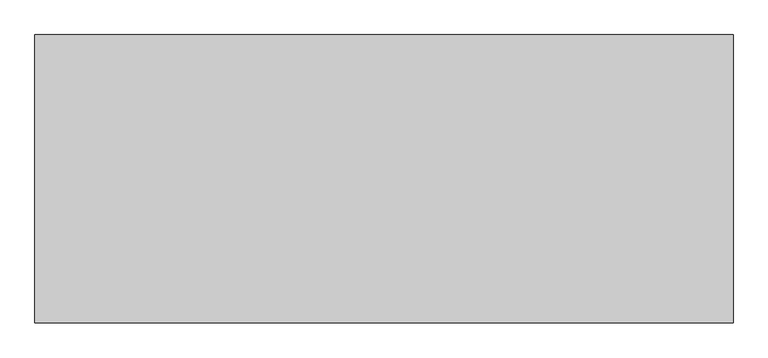
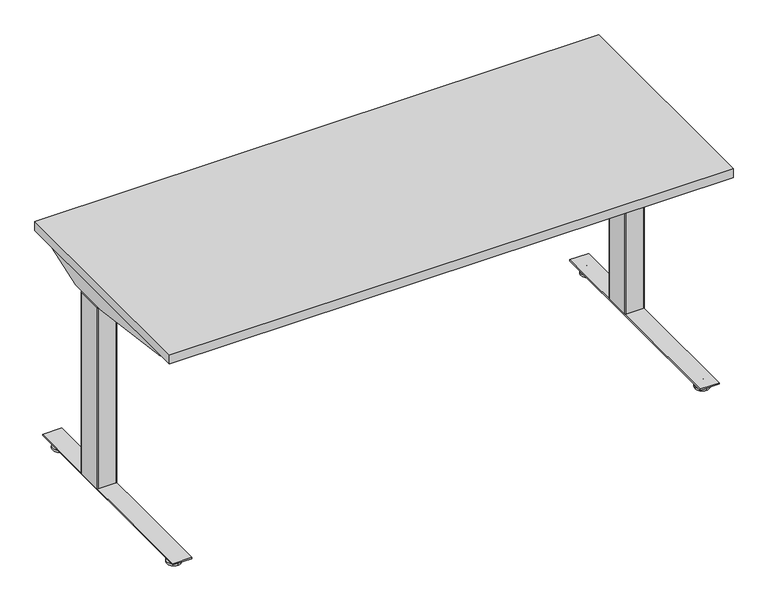
"""IFC4 building model written with IfcOpenShell, lengths in millimetres: furniture geometry."""

import ifcopenshell
import ifcopenshell.guid

model = None  # the IFC model being written
_history = None  # IfcOwnerHistory: only IFC2X3 demands one
_inside = {}  # id of a spatial element -> (the spatial element, [elements in it])
_under = {}  # id of a project, library or spatial element -> (it, [spatial elements below it])
_declared = {}  # id of a project -> (the project, [libraries it declares])
_typed = {}  # id of a type object -> (the type object, [elements of that type])
_made_of = {}  # id of a material, layer set ... -> (it, [elements and type objects made of it])


def new_model(schema):
    """Start an empty IFC model of exactly this schema.

    Asked for "IFC4X3", IfcOpenShell would pick the latest addendum, in which some entities
    have other attributes; the version numbers below select the first issue.
    IFC2X3 requires an IfcOwnerHistory on every rooted entity: one is made here for all.
    """
    global model, _history
    if schema == "IFC4X3":
        model = ifcopenshell.file(schema_version=(4, 3, 0, 0))
    else:
        model = ifcopenshell.file(schema=schema)
    _inside.clear()
    _under.clear()
    _declared.clear()
    _typed.clear()
    _made_of.clear()
    _history = None
    if model.schema == "IFC2X3":
        org = make("IfcOrganization", Name="unknown")
        user = make(
            "IfcPersonAndOrganization",
            ThePerson=make("IfcPerson", FamilyName="unknown"),
            TheOrganization=org,
        )
        app = make(
            "IfcApplication",
            ApplicationDeveloper=org,
            Version="unknown",
            ApplicationFullName="unknown",
            ApplicationIdentifier="unknown",
        )
        _history = make(
            "IfcOwnerHistory",
            OwningUser=user,
            OwningApplication=app,
            ChangeAction="ADDED",
            CreationDate=0,
        )
    return model


def make(cls, **values):
    """One entity of the class cls with the attributes given. An attribute that is None is left unset."""
    return model.create_entity(
        cls, **{name: value for name, value in values.items() if value is not None}
    )


def rooted(cls, **values):
    """An entity with a GlobalId (a new one), such as an element, a storey or a relation."""
    return make(cls, GlobalId=ifcopenshell.guid.new(), OwnerHistory=_history, **values)


def si_unit(unit_type, name, prefix=None):
    """IfcSIUnit, for example si_unit("LENGTHUNIT", "METRE", prefix="MILLI")."""
    return make("IfcSIUnit", UnitType=unit_type, Prefix=prefix, Name=name)


def assignment(units):
    """IfcUnitAssignment: the units of a project."""
    return None if units is None else make("IfcUnitAssignment", Units=units)


def point(xyz):
    """IfcCartesianPoint."""
    return None if xyz is None else make("IfcCartesianPoint", Coordinates=xyz)


def direction(xyz):
    """IfcDirection."""
    return None if xyz is None else make("IfcDirection", DirectionRatios=xyz)


def frame(location, z_axis=None, x_axis=None):
    """IfcAxis2Placement3D, a coordinate frame: its origin and axes. An axis left out is left unset."""
    return make(
        "IfcAxis2Placement3D",
        Location=point(location),
        Axis=direction(z_axis),
        RefDirection=direction(x_axis),
    )


def frame_2d(location, x_axis=None):
    """IfcAxis2Placement2D, a coordinate frame in the plane: its origin and x axis."""
    return make(
        "IfcAxis2Placement2D", Location=point(location), RefDirection=direction(x_axis)
    )


def origin():
    """The frame at (0, 0, 0) with its axes left unset."""
    return frame((0.0, 0.0, 0.0))


def place(relative_to, where):
    """IfcLocalPlacement: puts the frame where relative to a parent placement (None: the world)."""
    return make(
        "IfcLocalPlacement", PlacementRelTo=relative_to, RelativePlacement=where
    )


def context(
    kind, dimensions, precision=None, world=None, true_north=None, identifier=None
):
    """IfcGeometricRepresentationContext, for example the 3D "Model" context."""
    return make(
        "IfcGeometricRepresentationContext",
        ContextIdentifier=identifier,
        ContextType=kind,
        CoordinateSpaceDimension=dimensions,
        Precision=precision,
        WorldCoordinateSystem=world,
        TrueNorth=true_north,
    )


def project(units=None, contexts=None):
    """IfcProject with its units and contexts."""
    return rooted(
        "IfcProject",
        Name="project",
        RepresentationContexts=contexts,
        UnitsInContext=assignment(units),
    )


def spatial(cls, under=None, at=None, **own):
    """A site, building, storey or space (cls), placed at a placement, below another one or the project."""
    s = rooted(cls, ObjectPlacement=at, **own)
    if under is not None:
        _under.setdefault(under.id(), (under, []))[1].append(s)
    return s


def polyline(points):
    """IfcPolyline through the points."""
    return make("IfcPolyline", Points=[point(p) for p in points])


def circle_curve(where, radius):
    """IfcCircle in the frame where."""
    return make("IfcCircle", Position=where, Radius=radius)


def trimmed(basis, trim1, trim2, sense, master):
    """IfcTrimmedCurve: the piece of a basis curve between two trims."""
    return make(
        "IfcTrimmedCurve",
        BasisCurve=basis,
        Trim1=trim1,
        Trim2=trim2,
        SenseAgreement=sense,
        MasterRepresentation=master,
    )


def segment(curve, same_sense, transition):
    """IfcCompositeCurveSegment."""
    return make(
        "IfcCompositeCurveSegment",
        Transition=transition,
        SameSense=same_sense,
        ParentCurve=curve,
    )


def composite_curve(segments, self_intersect=None):
    """IfcCompositeCurve: segments joined end to end."""
    return make("IfcCompositeCurve", Segments=segments, SelfIntersect=self_intersect)


def outline(outer, holes=None, kind="AREA"):
    """IfcArbitraryClosedProfileDef: a profile drawn as a closed curve; with holes, ...WithVoids."""
    if holes is None:
        return make("IfcArbitraryClosedProfileDef", ProfileType=kind, OuterCurve=outer)
    return make(
        "IfcArbitraryProfileDefWithVoids",
        ProfileType=kind,
        OuterCurve=outer,
        InnerCurves=holes,
    )


def extrude(swept, where, along, depth):
    """IfcExtrudedAreaSolid: the profile swept, set in the frame where, extruded along a direction by depth."""
    return make(
        "IfcExtrudedAreaSolid",
        SweptArea=swept,
        Position=where,
        ExtrudedDirection=direction(along),
        Depth=depth,
    )


def shape(context_of_items, identifier, shape_type, items):
    """IfcShapeRepresentation: the items that make up one representation, for example the "Body"."""
    return make(
        "IfcShapeRepresentation",
        ContextOfItems=context_of_items,
        RepresentationIdentifier=identifier,
        RepresentationType=shape_type,
        Items=items,
    )


def source(mapping_origin, context_of_items, identifier, shape_type, items):
    """IfcRepresentationMap: a shape defined once, which mapped items show again and again."""
    return make(
        "IfcRepresentationMap",
        MappingOrigin=mapping_origin,
        MappedRepresentation=shape(context_of_items, identifier, shape_type, items),
    )


def transform(
    local_origin,
    x_axis=None,
    y_axis=None,
    z_axis=None,
    scale=None,
    scale2=None,
    scale3=None,
    uniform=True,
):
    """IfcCartesianTransformationOperator3D, or its non-uniform kind. x_axis, y_axis, z_axis: its Axis1, 2, 3."""
    if uniform:
        return make(
            "IfcCartesianTransformationOperator3D",
            Axis1=direction(x_axis),
            Axis2=direction(y_axis),
            LocalOrigin=point(local_origin),
            Scale=scale,
            Axis3=direction(z_axis),
        )
    return make(
        "IfcCartesianTransformationOperator3DnonUniform",
        Axis1=direction(x_axis),
        Axis2=direction(y_axis),
        LocalOrigin=point(local_origin),
        Scale=scale,
        Axis3=direction(z_axis),
        Scale2=scale2,
        Scale3=scale3,
    )


def mapped(mapping_source, mapping_target):
    """IfcMappedItem: shows the shape of a source again, moved by a transform."""
    return make(
        "IfcMappedItem", MappingSource=mapping_source, MappingTarget=mapping_target
    )


def made_of(thing, what):
    """Note that an element or type object is made of a material, layer set ...; save() writes the relation."""
    if what is not None:
        _made_of.setdefault(what.id(), (what, []))[1].append(thing)
    return thing


def element(
    cls,
    number,
    at=None,
    inside=None,
    cuts=None,
    type_object=None,
    material=None,
    context=None,
    identifier="Body",
    shape_type=None,
    held_by="IfcProductDefinitionShape",
    body=None,
    shapes=None,
    **own,
):
    """One element of the class cls, such as IfcWall. Its Tag is "e" and its number.

    at: its placement. inside: the storey or other place that contains it. cuts: it is an
    opening in that element (IfcRelVoidsElement). A single representation is given by context,
    identifier, shape_type and body (its items); several are given by shapes. held_by: the class
    of the entity that holds the representations. save() writes the other relations.
    """
    e = rooted(cls, Tag="e%d" % number, ObjectPlacement=at, **own)
    if body is not None:
        shapes = [shape(context, identifier, shape_type, body)]
    if shapes is not None:
        e.Representation = make(held_by, Representations=shapes)
    if inside is not None:
        _inside.setdefault(inside.id(), (inside, []))[1].append(e)
    if cuts is not None:
        rooted(
            "IfcRelVoidsElement", RelatingBuildingElement=cuts, RelatedOpeningElement=e
        )
    if type_object is not None:
        _typed.setdefault(type_object.id(), (type_object, []))[1].append(e)
    return made_of(e, material)


def aggregate(whole, parts):
    """IfcRelAggregates: a whole, such as a stair, and the parts it consists of."""
    return rooted("IfcRelAggregates", RelatingObject=whole, RelatedObjects=parts)


def save(model, path):
    """Write the relations noted so far, then the file.

    IfcRelAggregates (storeys below a building ...), IfcRelContainedInSpatialStructure (elements
    in a storey), IfcRelDefinesByType, IfcRelAssociatesMaterial and IfcRelDeclares: one each for
    every whole, place, type object, material and project.
    """
    for whole, parts in _under.values():
        aggregate(whole, parts)
    for where, things in _inside.values():
        rooted(
            "IfcRelContainedInSpatialStructure",
            RelatedElements=things,
            RelatingStructure=where,
        )
    for kind, things in _typed.values():
        rooted("IfcRelDefinesByType", RelatedObjects=things, RelatingType=kind)
    for what, things in _made_of.values():
        rooted("IfcRelAssociatesMaterial", RelatedObjects=things, RelatingMaterial=what)
    for by, libraries in _declared.values():
        rooted("IfcRelDeclares", RelatingContext=by, RelatedDefinitions=libraries)
    model.write(path)


def plane_surface(at):
    """IfcPlane: the flat surface through the origin of the frame at, square to its z axis."""
    return make("IfcPlane", Position=at)


def cylinder_surface(at, radius):
    """IfcCylindricalSurface: all points at the distance radius from the z axis of the frame at."""
    return make("IfcCylindricalSurface", Position=at, Radius=radius)


def revolved_surface(curve, axis_point, axis_direction):
    """IfcSurfaceOfRevolution: the curve turned about the line through axis_point along axis_direction."""
    return make(
        "IfcSurfaceOfRevolution",
        SweptCurve=make("IfcArbitraryOpenProfileDef", ProfileType="CURVE", Curve=curve),
        AxisPosition=make("IfcAxis1Placement", Location=point(axis_point), Axis=direction(axis_direction)),
    )


def advanced_brep(points, edges, surfaces, faces):
    """IfcAdvancedBrep: a solid bounded by faces that lie on surfaces and meet in shared edges.

    An edge is (start, end): straight between two places in points (the first is 0);
    or (start, end, curve); or (start, end, curve, False) where it runs against its curve.
    A face is (place in surfaces, loops), or (place, loops, False) where it looks against
    its surface's normal. A loop lists edges by number (the first is 1), with a minus sign
    where the edge is run from its end to its start. The first loop is the outer one.
    """
    corners = [point(p) for p in points]
    vertices = [make("IfcVertexPoint", VertexGeometry=c) for c in corners]
    made = []
    for start, end, *more in edges:
        made.append(
            make(
                "IfcEdgeCurve",
                EdgeStart=vertices[start],
                EdgeEnd=vertices[end],
                EdgeGeometry=more[0] if more else make("IfcPolyline", Points=[corners[start], corners[end]]),
                SameSense=more[1] if len(more) > 1 else True,
            )
        )
    hull = []
    for where, loops, *sense in faces:
        bounds = []
        for j, loop in enumerate(loops):
            ring = [make("IfcOrientedEdge", EdgeElement=made[abs(k) - 1], Orientation=k > 0) for k in loop]
            bounds.append(
                make(
                    "IfcFaceOuterBound" if j == 0 else "IfcFaceBound",
                    Bound=make("IfcEdgeLoop", EdgeList=ring),
                    Orientation=True,
                )
            )
        hull.append(make("IfcAdvancedFace", Bounds=bounds, FaceSurface=surfaces[where], SameSense=sense[0] if sense else True))
    return make("IfcAdvancedBrep", Outer=make("IfcClosedShell", CfsFaces=hull))


def furniture_e26f0861(model_context):
    return source(origin(), model_context, "Body", "SolidModel", [
        extrude(outline(composite_curve([segment(polyline([(24.0299808, 91.9126008), (24.0299808, 89.2526023), (15.0465732, 89.2526023)]), True, "CONTINUOUS"), segment(trimmed(circle_curve(frame_2d((15.0465732, 88.1760101)), 1.0765922), [point((15.0465732, 89.2526023))], [point((13.969981, 88.1760101))], True, "CARTESIAN"), True, "CONTINUOUS"), segment(polyline([(13.969981, 88.1760101), (13.969981, 57.733733)]), True, "CONTINUOUS"), segment(trimmed(circle_curve(frame_2d((14.981112, 57.733733)), 1.011131), [point((13.969981, 57.733733))], [point((14.981112, 56.7226021))], True, "CARTESIAN"), True, "CONTINUOUS"), segment(polyline([(14.981112, 56.7226021), (24.0299808, 56.7226021), (24.0299808, 54.0625991), (14.9699813, 54.0625991), (13.1399808, 54.5529489), (11.8003278, 55.8926019), (11.3099815, 57.7226046), (11.3099815, 88.2526043), (11.8003278, 90.0826025), (13.1399808, 91.4222555), (14.9699813, 91.9126008), (24.0299808, 91.9126008)]), True, "CONTINUOUS")], self_intersect=False)), frame((0.0, -646.1468746, 0.0), z_axis=(0.0, 1.0, 0.0), x_axis=(0.0, 0.0, 1.0)), (0.0, 0.0, 1.0), 507.9999924),
        advanced_brep(
        [(71.6136021, -726.0252467, 9.1e-06), (71.6136021, -703.4479001, 9.1e-06), (71.6136021, -680.8705535, 9.1e-06), (71.6136021, -726.0109304, 5.8932313), (71.6136021, -680.8848697, 5.8932313), (71.6136021, -706.9684154, 9.6997702), (71.6136021, -699.9273847, 9.6997702), (71.6136021, -706.9684154, 23.9856018), (71.6136021, -699.9273847, 23.9856018), (71.6136021, -703.4479001, 23.9856018)],
        [
            (0, 1),
            (1, 2),
            (2, 0, circle_curve(frame((71.6136021, -703.4479001, 9.1e-06), z_axis=(0.0, 0.0, -1.0), x_axis=(0.0, 1.0, 0.0)), 22.5773466)),
            (0, 2, circle_curve(frame((71.6136021, -703.4479001, 9.1e-06), z_axis=(0.0, 0.0, -1.0), x_axis=(0.0, 1.0, 0.0)), 22.5773466)),
            (3, 0),
            (2, 4),
            (4, 3, circle_curve(frame((71.6136021, -703.4479001, 5.8932313), z_axis=(0.0, 0.0, -1.0), x_axis=(0.0, 1.0, 0.0)), 22.5630303)),
            (3, 4, circle_curve(frame((71.6136021, -703.4479001, 5.8932313), z_axis=(0.0, 0.0, -1.0), x_axis=(0.0, 1.0, 0.0)), 22.5630303)),
            (5, 3),
            (4, 6),
            (6, 5, circle_curve(frame((71.6136021, -703.4479001, 9.6997702), z_axis=(0.0, 0.0, -1.0), x_axis=(0.0, 1.0, 0.0)), 3.5205153)),
            (5, 6, circle_curve(frame((71.6136021, -703.4479001, 9.6997702), z_axis=(0.0, 0.0, -1.0), x_axis=(0.0, 1.0, 0.0)), 3.5205153)),
            (7, 5),
            (6, 8),
            (8, 7, circle_curve(frame((71.6136021, -703.4479001, 23.9856018), z_axis=(0.0, 0.0, -1.0), x_axis=(0.0, 1.0, 0.0)), 3.5205153)),
            (7, 8, circle_curve(frame((71.6136021, -703.4479001, 23.9856018), z_axis=(0.0, 0.0, -1.0), x_axis=(0.0, 1.0, 0.0)), 3.5205153)),
            (9, 7),
            (8, 9),
        ],
        [
            plane_surface(frame((71.6136021, -703.4479001, 9.1e-06), z_axis=(0.0, 0.0, -1.0), x_axis=(0.0, 1.0, 0.0))),
            revolved_surface(polyline([(71.6136021, -680.8705535, 9.1e-06), (71.6136021, -680.8848697, 5.8932313)]), (71.6136021, -703.4479001, -6.3499909), (0.0, 0.0, 1.0)),
            revolved_surface(polyline([(71.6136021, -680.8848697, 5.8932313), (71.6136021, -699.9273847, 9.6997702)]), (71.6136021, -703.4479001, -6.3499909), (0.0, 0.0, 1.0)),
            cylinder_surface(frame((71.6136021, -703.4479001, -6.3499909), z_axis=(0.0, 0.0, 1.0), x_axis=(0.0, 1.0, 0.0)), 3.5205153),
            plane_surface(frame((71.6136021, -703.4479001, 23.9856018), z_axis=(0.0, 0.0, 1.0), x_axis=(0.0, 1.0, 0.0))),
        ],
        [
            (0, [[1, 2, 3]]),
            (0, [[-2, -1, 4]]),
            (1, [[5, -3, 6, 7]]),
            (1, [[-6, -4, -5, 8]]),
            (2, [[9, -7, 10, 11]]),
            (2, [[-10, -8, -9, 12]]),
            (3, [[13, -11, 14, 15]]),
            (3, [[-14, -12, -13, 16]]),
            (4, [[17, -15, 18]]),
            (4, [[-18, -16, -17]]),
        ],
    ),
        advanced_brep(
        [(71.6136021, -80.677371, 23.9447896), (71.6136021, -84.2813634, 23.9447896), (71.6136021, -77.0733786, 23.9447896), (71.6136021, -103.3167838, 9.1e-06), (71.6136021, -80.677371, 9.1e-06), (71.6136021, -58.0379582, 9.1e-06), (71.6136021, -103.3024934, 5.8932313), (71.6136021, -58.0522486, 5.8932313), (71.6136021, -84.2599821, 9.6997702), (71.6136021, -77.0947599, 9.6997702)],
        [
            (0, 1),
            (1, 2, circle_curve(frame((71.6136021, -80.677371, 23.9447896), z_axis=(0.0, 0.0, 1.0), x_axis=(0.0, 1.0, 0.0)), 3.6039924)),
            (2, 0),
            (2, 1, circle_curve(frame((71.6136021, -80.677371, 23.9447896), z_axis=(0.0, 0.0, 1.0), x_axis=(0.0, 1.0, 0.0)), 3.6039924)),
            (3, 4),
            (4, 5),
            (5, 3, circle_curve(frame((71.6136021, -80.677371, 9.1e-06), z_axis=(0.0, 0.0, -1.0), x_axis=(0.0, 1.0, 0.0)), 22.6394128)),
            (3, 5, circle_curve(frame((71.6136021, -80.677371, 9.1e-06), z_axis=(0.0, 0.0, -1.0), x_axis=(0.0, 1.0, 0.0)), 22.6394128)),
            (6, 3),
            (5, 7),
            (7, 6, circle_curve(frame((71.6136021, -80.677371, 5.8932313), z_axis=(0.0, 0.0, -1.0), x_axis=(0.0, 1.0, 0.0)), 22.6251224)),
            (6, 7, circle_curve(frame((71.6136021, -80.677371, 5.8932313), z_axis=(0.0, 0.0, -1.0), x_axis=(0.0, 1.0, 0.0)), 22.6251224)),
            (8, 6),
            (7, 9),
            (9, 8, circle_curve(frame((71.6136021, -80.677371, 9.6997702), z_axis=(0.0, 0.0, -1.0), x_axis=(0.0, 1.0, 0.0)), 3.5826111)),
            (8, 9, circle_curve(frame((71.6136021, -80.677371, 9.6997702), z_axis=(0.0, 0.0, -1.0), x_axis=(0.0, 1.0, 0.0)), 3.5826111)),
            (1, 8),
            (9, 2),
        ],
        [
            plane_surface(frame((71.6136021, -80.677371, 23.9447896), z_axis=(0.0, 0.0, 1.0), x_axis=(0.0, 1.0, 0.0))),
            plane_surface(frame((71.6136021, -80.677371, 9.1e-06), z_axis=(0.0, 0.0, -1.0), x_axis=(0.0, 1.0, 0.0))),
            revolved_surface(polyline([(71.6136021, -58.0379582, 9.1e-06), (71.6136021, -58.0522486, 5.8932313)]), (71.6136021, -80.677371, -4.2199069), (0.0, 0.0, 1.0)),
            revolved_surface(polyline([(71.6136021, -58.0522486, 5.8932313), (71.6136021, -77.0947599, 9.6997702)]), (71.6136021, -80.677371, -4.2199069), (0.0, 0.0, 1.0)),
            cylinder_surface(frame((71.6136021, -80.677371, -4.2199069), z_axis=(0.0, 0.0, 1.0), x_axis=(0.0, 1.0, 0.0)), 3.5617141),
        ],
        [
            (0, [[1, 2, 3]]),
            (0, [[-3, 4, -1]]),
            (1, [[5, 6, 7]]),
            (1, [[-6, -5, 8]]),
            (2, [[9, -7, 10, 11]]),
            (2, [[-10, -8, -9, 12]]),
            (3, [[13, -11, 14, 15]]),
            (3, [[-14, -12, -13, 16]]),
            (4, [[17, -15, 18, -2]]),
            (4, [[-18, -16, -17, -4]]),
        ],
    ),
        extrude(outline(polyline([(42.9876029, -36.5468837), (102.9576025, -36.5468837), (102.9576025, -747.7468867), (42.9876029, -747.7468867), (42.9876029, -36.5468837)])), frame((0.0, 0.0, 24.0299808), z_axis=(0.0, 0.0, 1.0), x_axis=(1.0, 0.0, 0.0)), (0.0, 0.0, 1.0), 4.1800001),
        extrude(outline(composite_curve([segment(polyline([(98.1047994, -253.1740482), (98.1047994, -335.6776259)]), True, "CONTINUOUS"), segment(trimmed(circle_curve(frame_2d((95.8187994, -335.6776259)), 2.286), [point((98.1047994, -335.6776259))], [point((95.8187994, -337.9636259))], False, "CARTESIAN"), True, "CONTINUOUS"), segment(polyline([(95.8187994, -337.9636259), (47.5023125, -337.9636259)]), True, "CONTINUOUS"), segment(trimmed(circle_curve(frame_2d((47.5023125, -335.6776259)), 2.286), [point((47.5023125, -337.9636259))], [point((45.2163125, -335.6776259))], False, "CARTESIAN"), True, "CONTINUOUS"), segment(polyline([(45.2163125, -335.6776259), (45.2163125, -253.0141955)]), True, "CONTINUOUS"), segment(trimmed(circle_curve(frame_2d((47.5023125, -253.1740482)), 2.2915822), [point((45.2163125, -253.0141955))], [point((47.3424598, -250.8880482))], False, "CARTESIAN"), True, "CONTINUOUS"), segment(polyline([(47.3424598, -250.8880482), (95.8187994, -250.8880482)]), True, "CONTINUOUS"), segment(trimmed(circle_curve(frame_2d((95.8187994, -253.1740482)), 2.286), [point((95.8187994, -250.8880482))], [point((98.1047994, -253.1740482))], False, "CARTESIAN"), True, "CONTINUOUS")], self_intersect=False)), frame((0.0, 0.0, 631.6980091), z_axis=(0.0, 0.0, 1.0), x_axis=(1.0, 0.0, 0.0)), (0.0, 0.0, 1.0), 63.5819446),
        extrude(outline(composite_curve([segment(polyline([(44.6584207, -247.961107), (100.2656021, -247.961107)]), True, "CONTINUOUS"), segment(trimmed(circle_curve(frame_2d((100.2656021, -251.009107)), 3.048), [point((100.2656021, -247.961107))], [point((103.3136021, -251.009107))], False, "CARTESIAN"), True, "CONTINUOUS"), segment(polyline([(103.3136021, -251.009107), (103.3136021, -334.907113)]), True, "CONTINUOUS"), segment(trimmed(circle_curve(frame_2d((100.2656021, -334.907113)), 3.048), [point((103.3136021, -334.907113))], [point((100.2635382, -337.9551123))], False, "CARTESIAN"), True, "CONTINUOUS"), segment(polyline([(100.2635382, -337.9551123), (44.638999, -337.9174476)]), True, "CONTINUOUS"), segment(trimmed(circle_curve(frame_2d((44.6410511, -334.886818)), 3.0306304), [point((44.638999, -337.9174476))], [point((41.6104207, -334.886818))], False, "CARTESIAN"), True, "CONTINUOUS"), segment(polyline([(41.6104207, -334.886818), (41.6104207, -251.009107)]), True, "CONTINUOUS"), segment(trimmed(circle_curve(frame_2d((44.6584207, -251.009107)), 3.048), [point((41.6104207, -251.009107))], [point((44.6584207, -247.961107))], False, "CARTESIAN"), True, "CONTINUOUS")], self_intersect=False)), frame((0.0, 0.0, 28.209981), z_axis=(0.0, 0.0, 1.0), x_axis=(1.0, 0.0, 0.0)), (0.0, 0.0, 1.0), 603.4880281),
        extrude(outline(composite_curve([segment(polyline([(24.0299717, 1714.7357036), (14.9699722, 1714.7357036), (13.1399717, 1715.2260488), (11.8003187, 1716.5657018), (11.3099724, 1718.3957), (11.3099724, 1748.9256997), (11.8003187, 1750.7557024), (13.1399717, 1752.0953554), (14.9699722, 1752.5857052), (24.0299717, 1752.5857052), (24.0299717, 1749.9257022), (14.9811029, 1749.9257022)]), True, "CONTINUOUS"), segment(trimmed(circle_curve(frame_2d((14.9811029, 1748.9145713)), 1.011131), [point((14.9811029, 1749.9257022))], [point((13.9699719, 1748.9145713))], True, "CARTESIAN"), True, "CONTINUOUS"), segment(polyline([(13.9699719, 1748.9145713), (13.9699719, 1718.4722942)]), True, "CONTINUOUS"), segment(trimmed(circle_curve(frame_2d((15.0465641, 1718.4722942)), 1.0765922), [point((13.9699719, 1718.4722942))], [point((15.0465641, 1717.395702))], True, "CARTESIAN"), True, "CONTINUOUS"), segment(polyline([(15.0465641, 1717.395702), (24.0299717, 1717.395702), (24.0299717, 1714.7357036)]), True, "CONTINUOUS")], self_intersect=False)), frame((0.0, -646.1468746, 0.0), z_axis=(0.0, 1.0, 0.0), x_axis=(0.0, 0.0, 1.0)), (0.0, 0.0, 1.0), 507.9999924),
        advanced_brep(
        [(1735.0347023, -726.0252467, 0.0), (1735.0347023, -680.8705535, 0.0), (1735.0347023, -703.4479001, 0.0), (1735.0347023, -726.0109304, 5.8932222), (1735.0347023, -680.8848697, 5.8932222), (1735.0347023, -706.9684154, 9.6997611), (1735.0347023, -699.9273847, 9.6997611), (1735.0347023, -706.9684154, 23.9855927), (1735.0347023, -699.9273847, 23.9855927), (1735.0347023, -703.4479001, 23.9855927)],
        [
            (0, 1, circle_curve(frame((1735.0347023, -703.4479001, 0.0), z_axis=(0.0, 0.0, -1.0), x_axis=(0.0, 1.0, 0.0)), 22.5773466)),
            (1, 2),
            (2, 0),
            (1, 0, circle_curve(frame((1735.0347023, -703.4479001, 0.0), z_axis=(0.0, 0.0, -1.0), x_axis=(0.0, 1.0, 0.0)), 22.5773466)),
            (3, 4, circle_curve(frame((1735.0347023, -703.4479001, 5.8932222), z_axis=(0.0, 0.0, -1.0), x_axis=(0.0, 1.0, 0.0)), 22.5630303)),
            (4, 1),
            (0, 3),
            (4, 3, circle_curve(frame((1735.0347023, -703.4479001, 5.8932222), z_axis=(0.0, 0.0, -1.0), x_axis=(0.0, 1.0, 0.0)), 22.5630303)),
            (5, 6, circle_curve(frame((1735.0347023, -703.4479001, 9.6997611), z_axis=(0.0, 0.0, -1.0), x_axis=(0.0, 1.0, 0.0)), 3.5205153)),
            (6, 4),
            (3, 5),
            (6, 5, circle_curve(frame((1735.0347023, -703.4479001, 9.6997611), z_axis=(0.0, 0.0, -1.0), x_axis=(0.0, 1.0, 0.0)), 3.5205153)),
            (7, 8, circle_curve(frame((1735.0347023, -703.4479001, 23.9855927), z_axis=(0.0, 0.0, -1.0), x_axis=(0.0, 1.0, 0.0)), 3.5205153)),
            (8, 6),
            (5, 7),
            (8, 7, circle_curve(frame((1735.0347023, -703.4479001, 23.9855927), z_axis=(0.0, 0.0, -1.0), x_axis=(0.0, 1.0, 0.0)), 3.5205153)),
            (9, 8),
            (7, 9),
        ],
        [
            plane_surface(frame((1735.0347023, -703.4479001, 0.0), z_axis=(0.0, 0.0, -1.0), x_axis=(0.0, 1.0, 0.0))),
            revolved_surface(polyline([(1735.0347023, -680.8705535, 0.0), (1735.0347023, -680.8848697, 5.8932222)]), (1735.0347023, -703.4479001, -6.35), (0.0, 0.0, 1.0)),
            revolved_surface(polyline([(1735.0347023, -680.8848697, 5.8932222), (1735.0347023, -699.9273847, 9.6997611)]), (1735.0347023, -703.4479001, -6.35), (0.0, 0.0, 1.0)),
            cylinder_surface(frame((1735.0347023, -703.4479001, -6.35), z_axis=(0.0, 0.0, 1.0), x_axis=(0.0, 1.0, 0.0)), 3.5205153),
            plane_surface(frame((1735.0347023, -703.4479001, 23.9855927), z_axis=(0.0, 0.0, 1.0), x_axis=(0.0, 1.0, 0.0))),
        ],
        [
            (0, [[1, 2, 3]]),
            (0, [[4, -3, -2]]),
            (1, [[5, 6, -1, 7]]),
            (1, [[8, -7, -4, -6]]),
            (2, [[9, 10, -5, 11]]),
            (2, [[12, -11, -8, -10]]),
            (3, [[13, 14, -9, 15]]),
            (3, [[16, -15, -12, -14]]),
            (4, [[17, -13, 18]]),
            (4, [[-18, -16, -17]]),
        ],
    ),
        advanced_brep(
        [(1735.0347023, -80.677371, 23.9447805), (1735.0347023, -77.0733786, 23.9447805), (1735.0347023, -84.2813634, 23.9447805), (1735.0347023, -103.3167838, 0.0), (1735.0347023, -58.0379582, 0.0), (1735.0347023, -80.677371, 0.0), (1735.0347023, -103.3024934, 5.8932222), (1735.0347023, -58.0522486, 5.8932222), (1735.0347023, -84.2599821, 9.6997611), (1735.0347023, -77.0947599, 9.6997611)],
        [
            (0, 1),
            (1, 2, circle_curve(frame((1735.0347023, -80.677371, 23.9447805), z_axis=(0.0, 0.0, 1.0), x_axis=(0.0, 1.0, 0.0)), 3.6039924)),
            (2, 0),
            (2, 1, circle_curve(frame((1735.0347023, -80.677371, 23.9447805), z_axis=(0.0, 0.0, 1.0), x_axis=(0.0, 1.0, 0.0)), 3.6039924)),
            (3, 4, circle_curve(frame((1735.0347023, -80.677371, 0.0), z_axis=(0.0, 0.0, -1.0), x_axis=(0.0, 1.0, 0.0)), 22.6394128)),
            (4, 5),
            (5, 3),
            (4, 3, circle_curve(frame((1735.0347023, -80.677371, 0.0), z_axis=(0.0, 0.0, -1.0), x_axis=(0.0, 1.0, 0.0)), 22.6394128)),
            (6, 7, circle_curve(frame((1735.0347023, -80.677371, 5.8932222), z_axis=(0.0, 0.0, -1.0), x_axis=(0.0, 1.0, 0.0)), 22.6251224)),
            (7, 4),
            (3, 6),
            (7, 6, circle_curve(frame((1735.0347023, -80.677371, 5.8932222), z_axis=(0.0, 0.0, -1.0), x_axis=(0.0, 1.0, 0.0)), 22.6251224)),
            (8, 9, circle_curve(frame((1735.0347023, -80.677371, 9.6997611), z_axis=(0.0, 0.0, -1.0), x_axis=(0.0, 1.0, 0.0)), 3.5826111)),
            (9, 7),
            (6, 8),
            (9, 8, circle_curve(frame((1735.0347023, -80.677371, 9.6997611), z_axis=(0.0, 0.0, -1.0), x_axis=(0.0, 1.0, 0.0)), 3.5826111)),
            (1, 9),
            (8, 2),
        ],
        [
            plane_surface(frame((1735.0347023, -80.677371, 23.9447805), z_axis=(0.0, 0.0, 1.0), x_axis=(0.0, 1.0, 0.0))),
            plane_surface(frame((1735.0347023, -80.677371, 0.0), z_axis=(0.0, 0.0, -1.0), x_axis=(0.0, 1.0, 0.0))),
            revolved_surface(polyline([(1735.0347023, -58.0379582, 0.0), (1735.0347023, -58.0522486, 5.8932222)]), (1735.0347023, -80.677371, -4.219916), (0.0, 0.0, 1.0)),
            revolved_surface(polyline([(1735.0347023, -58.0522486, 5.8932222), (1735.0347023, -77.0947599, 9.6997611)]), (1735.0347023, -80.677371, -4.219916), (0.0, 0.0, 1.0)),
            cylinder_surface(frame((1735.0347023, -80.677371, -4.219916), z_axis=(0.0, 0.0, 1.0), x_axis=(0.0, 1.0, 0.0)), 3.5617141),
        ],
        [
            (0, [[1, 2, 3]]),
            (0, [[-3, 4, -1]]),
            (1, [[5, 6, 7]]),
            (1, [[8, -7, -6]]),
            (2, [[9, 10, -5, 11]]),
            (2, [[12, -11, -8, -10]]),
            (3, [[13, 14, -9, 15]]),
            (3, [[16, -15, -12, -14]]),
            (4, [[-2, 17, -13, 18]]),
            (4, [[-4, -18, -16, -17]]),
        ],
    ),
        extrude(outline(polyline([(1763.6607014, -36.5468837), (1763.6607014, -747.7468867), (1703.6907019, -747.7468867), (1703.6907019, -36.5468837), (1763.6607014, -36.5468837)])), frame((0.0, 0.0, 24.0299717), z_axis=(0.0, 0.0, 1.0), x_axis=(1.0, 0.0, 0.0)), (0.0, 0.0, 1.0), 4.1800001),
        extrude(outline(composite_curve([segment(trimmed(circle_curve(frame_2d((1710.8295049, -253.1740482)), 2.286), [point((1708.5435049, -253.1740482))], [point((1710.8295049, -250.8880482))], False, "CARTESIAN"), True, "CONTINUOUS"), segment(polyline([(1710.8295049, -250.8880482), (1759.3058445, -250.8880482)]), True, "CONTINUOUS"), segment(trimmed(circle_curve(frame_2d((1759.1459918, -253.1740482)), 2.2915822), [point((1759.3058445, -250.8880482))], [point((1761.4319918, -253.0141955))], False, "CARTESIAN"), True, "CONTINUOUS"), segment(polyline([(1761.4319918, -253.0141955), (1761.4319918, -335.6776259)]), True, "CONTINUOUS"), segment(trimmed(circle_curve(frame_2d((1759.1459918, -335.6776259)), 2.286), [point((1761.4319918, -335.6776259))], [point((1759.1459918, -337.9636259))], False, "CARTESIAN"), True, "CONTINUOUS"), segment(polyline([(1759.1459918, -337.9636259), (1710.8295049, -337.9636259)]), True, "CONTINUOUS"), segment(trimmed(circle_curve(frame_2d((1710.8295049, -335.6776259)), 2.286), [point((1710.8295049, -337.9636259))], [point((1708.5435049, -335.6776259))], False, "CARTESIAN"), True, "CONTINUOUS"), segment(polyline([(1708.5435049, -335.6776259), (1708.5435049, -253.1740482)]), True, "CONTINUOUS")], self_intersect=False)), frame((0.0, 0.0, 631.698), z_axis=(0.0, 0.0, 1.0), x_axis=(1.0, 0.0, 0.0)), (0.0, 0.0, 1.0), 63.5819446),
        extrude(outline(composite_curve([segment(trimmed(circle_curve(frame_2d((1761.9898836, -251.009107)), 3.048), [point((1761.9898836, -247.961107))], [point((1765.0378836, -251.009107))], False, "CARTESIAN"), True, "CONTINUOUS"), segment(polyline([(1765.0378836, -251.009107), (1765.0378836, -334.886818)]), True, "CONTINUOUS"), segment(trimmed(circle_curve(frame_2d((1762.0072532, -334.886818)), 3.0306304), [point((1765.0378836, -334.886818))], [point((1762.0093053, -337.9174476))], False, "CARTESIAN"), True, "CONTINUOUS"), segment(polyline([(1762.0093053, -337.9174476), (1706.3847661, -337.9551123)]), True, "CONTINUOUS"), segment(trimmed(circle_curve(frame_2d((1706.3827022, -334.907113)), 3.048), [point((1706.3847661, -337.9551123))], [point((1703.3347022, -334.907113))], False, "CARTESIAN"), True, "CONTINUOUS"), segment(polyline([(1703.3347022, -334.907113), (1703.3347022, -251.009107)]), True, "CONTINUOUS"), segment(trimmed(circle_curve(frame_2d((1706.3827022, -251.009107)), 3.048), [point((1703.3347022, -251.009107))], [point((1706.3827022, -247.961107))], False, "CARTESIAN"), True, "CONTINUOUS"), segment(polyline([(1706.3827022, -247.961107), (1761.9898836, -247.961107)]), True, "CONTINUOUS")], self_intersect=False)), frame((0.0, 0.0, 28.2099719), z_axis=(0.0, 0.0, 1.0), x_axis=(1.0, 0.0, 0.0)), (0.0, 0.0, 1.0), 603.4880281),
        extrude(outline(composite_curve([segment(polyline([(-250.4581839, 658.8786781), (-338.7697314, 658.8786781)]), True, "CONTINUOUS"), segment(trimmed(circle_curve(frame_2d((-338.7697314, 661.8561465)), 2.9774683), [point((-338.7697314, 658.8786781))], [point((-341.7471997, 661.8561465))], False, "CARTESIAN"), True, "CONTINUOUS"), segment(polyline([(-341.7471997, 661.8561465), (-341.7471997, 706.7295758), (-339.8471704, 706.7295758), (-339.8471704, 661.7405996)]), True, "CONTINUOUS"), segment(trimmed(circle_curve(frame_2d((-338.8852783, 661.7405996)), 0.9618921), [point((-339.8471704, 661.7405996))], [point((-338.8852783, 660.7787075))], True, "CARTESIAN"), True, "CONTINUOUS"), segment(polyline([(-338.8852783, 660.7787075), (-250.3633297, 660.7787075)]), True, "CONTINUOUS"), segment(trimmed(circle_curve(frame_2d((-250.3633297, 661.8948418)), 1.1161343), [point((-250.3633297, 660.7787075))], [point((-249.2471954, 661.8948418))], True, "CARTESIAN"), True, "CONTINUOUS"), segment(polyline([(-249.2471954, 661.8948418), (-249.2471954, 706.7295758), (-247.3471842, 706.7295758), (-247.3471842, 661.9896778)]), True, "CONTINUOUS"), segment(trimmed(circle_curve(frame_2d((-250.4581839, 661.9896778)), 3.1109997), [point((-247.3471842, 661.9896778))], [point((-250.4581839, 658.8786781))], False, "CARTESIAN"), True, "CONTINUOUS")], self_intersect=False)), frame((103.3136021, 0.0, 0.0), z_axis=(1.0, 0.0, 0.0), x_axis=(0.0, 1.0, 0.0)), (0.0, 0.0, 1.0), 1600.0211001),
        extrude(outline(polyline([(-688.1042925, 706.7295758), (-96.2085395, 706.7295758), (-96.2085395, 687.6629882), (-225.3003514, 640.6513622), (-361.6074771, 640.6513622), (-688.1042925, 686.4222147), (-688.1042925, 706.7295758)])), frame((38.1482286, 0.0, 0.0), z_axis=(1.0, 0.0, 0.0), x_axis=(0.0, 1.0, 0.0)), (0.0, 0.0, 1.0), 1.8999567),
        extrude(outline(polyline([(-688.1042925, 706.7295758), (-96.247586, 706.7295758), (-96.247586, 687.6487686), (-225.3003514, 640.6513622), (-361.6074771, 640.6513622), (-688.1042925, 686.4222147), (-688.1042925, 706.7295758)])), frame((1785.6760334, 0.0, 0.0), z_axis=(1.0, 0.0, 0.0), x_axis=(0.0, 1.0, 0.0)), (0.0, 0.0, 1.0), 1.8999567),
        extrude(outline(polyline([(25.4000008, -25.4000008), (1800.3520271, -25.4000008), (1800.3520271, -758.9520029), (25.4000008, -758.9520029), (25.4000008, -25.4000008)])), frame((0.0, 0.0, 706.7295758), z_axis=(0.0, 0.0, 1.0), x_axis=(1.0, 0.0, 0.0)), (0.0, 0.0, 1.0), 29.8704242),
    ])


if __name__ == "__main__":
    model = new_model("IFC4")
    model_context = context("Model", 3, world=origin())
    ifc_project = project(units=[si_unit("LENGTHUNIT", "METRE", prefix="MILLI")], contexts=[model_context])
    site = spatial("IfcSite", under=ifc_project)
    building = spatial("IfcBuilding", under=site)
    placement = place(None, origin())
    furniture_shape = furniture_e26f0861(model_context)
    element("IfcFurniture", 1, at=placement, inside=building, context=model_context, shape_type="MappedRepresentation", body=[
        mapped(furniture_shape, transform((0.0, 0.0, 0.0), x_axis=(1.0, 0.0, 0.0), y_axis=(0.0, 1.0, 0.0), z_axis=(0.0, 0.0, 1.0))),
    ])
    save(model, "model.ifc")
